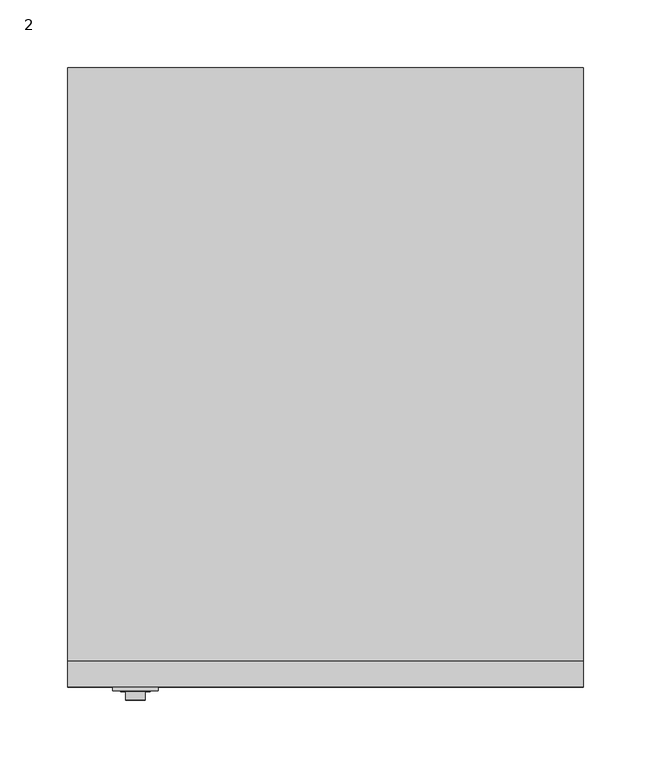
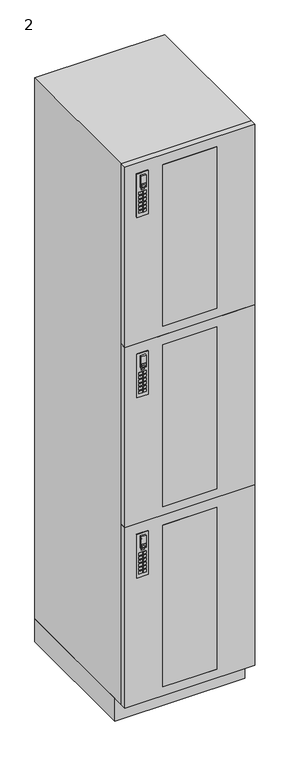
"""IFC4 building model written with IfcOpenShell, lengths in millimetres: furniture geometry, 2."""

from ifc_helpers import new_model, si_unit, point, frame, frame_2d, origin, origin_with_axes, place, context, project, spatial, polyline, circle_curve, trimmed, segment, composite_curve, outline, extrude, source, transform, mapped, element, save


def furniture_2_ed754ca8(model_context):
    return source(origin(), model_context, "Body", "SweptSolid", [
        extrude(outline(polyline([(-111.125, -457.2), (-269.875, -457.2), (-269.875, -438.15), (-111.125, -438.15), (-111.125, -457.2)])), frame((0.0, 0.0, 98.2965426), z_axis=(0.0, 0.0, 1.0), x_axis=(1.0, 0.0, 0.0)), (0.0, 0.0, 1.0), 501.65),
        extrude(outline(polyline([(-111.125, -457.2), (-269.875, -457.2), (-269.875, -438.15), (-111.125, -438.15), (-111.125, -457.2)])), frame((0.0, 0.0, 657.0965426), z_axis=(0.0, 0.0, 1.0), x_axis=(1.0, 0.0, 0.0)), (0.0, 0.0, 1.0), 501.65),
        extrude(outline(polyline([(-111.125, -457.2), (-269.875, -457.2), (-269.875, -438.15), (-111.125, -438.15), (-111.125, -457.2)])), frame((0.0, 0.0, 1215.8965426), z_axis=(0.0, 0.0, 1.0), x_axis=(1.0, 0.0, 0.0)), (0.0, 0.0, 1.0), 501.65),
        extrude(outline(polyline([(629.92, 0.0), (629.92, -381.0), (71.12, -381.0), (71.12, 0.0), (629.92, 0.0)]), holes=[polyline([(599.9465426, -111.125), (98.2965426, -111.125), (98.2965426, -269.875), (599.9465426, -269.875), (599.9465426, -111.125)])]), frame((0.0, -457.2, 0.0), z_axis=(0.0, 1.0, 0.0), x_axis=(0.0, 0.0, 1.0)), (0.0, 0.0, 1.0), 19.05),
        extrude(outline(polyline([(1188.72, 0.0), (1188.72, -381.0), (629.92, -381.0), (629.92, 0.0), (1188.72, 0.0)]), holes=[polyline([(1158.7465426, -111.125), (657.0965426, -111.125), (657.0965426, -269.875), (1158.7465426, -269.875), (1158.7465426, -111.125)])]), frame((0.0, -457.2, 0.0), z_axis=(0.0, 1.0, 0.0), x_axis=(0.0, 0.0, 1.0)), (0.0, 0.0, 1.0), 19.05),
        extrude(outline(polyline([(-335.5659847, -459.994), (-326.1679847, -459.994), (-326.1679847, -460.8078831), (-335.5659847, -460.8078831), (-335.5659847, -459.994)])), frame((0.0, 0.0, 546.5907206), z_axis=(0.0, 0.0, 1.0), x_axis=(1.0, 0.0, 0.0)), (0.0, 0.0, 1.0), 4.8387031),
        extrude(outline(polyline([(-341.8914743, -459.994), (-331.9854743, -459.994), (-331.9854743, -460.8078831), (-341.8914743, -460.8078831), (-341.8914743, -459.994)])), frame((0.0, 0.0, 510.032), z_axis=(0.0, 0.0, 1.0), x_axis=(1.0, 0.0, 0.0)), (0.0, 0.0, 1.0), 7.874),
        extrude(outline(polyline([(-341.8914743, -459.994), (-331.9854743, -459.994), (-331.9854743, -460.8078831), (-341.8914743, -460.8078831), (-341.8914743, -459.994)])), frame((0.0, 0.0, 498.602), z_axis=(0.0, 0.0, 1.0), x_axis=(1.0, 0.0, 0.0)), (0.0, 0.0, 1.0), 7.874),
        extrude(outline(polyline([(-341.8914743, -459.994), (-331.9854743, -459.994), (-331.9854743, -460.8078831), (-341.8914743, -460.8078831), (-341.8914743, -459.994)])), frame((0.0, 0.0, 532.892), z_axis=(0.0, 0.0, 1.0), x_axis=(1.0, 0.0, 0.0)), (0.0, 0.0, 1.0), 7.874),
        extrude(outline(polyline([(-341.8914743, -459.994), (-331.9854743, -459.994), (-331.9854743, -460.8078831), (-341.8914743, -460.8078831), (-341.8914743, -459.994)])), frame((0.0, 0.0, 521.462), z_axis=(0.0, 0.0, 1.0), x_axis=(1.0, 0.0, 0.0)), (0.0, 0.0, 1.0), 7.874),
        extrude(outline(polyline([(-341.8914743, -459.994), (-331.9854743, -459.994), (-331.9854743, -460.8078831), (-341.8914743, -460.8078831), (-341.8914743, -459.994)])), frame((0.0, 0.0, 487.172), z_axis=(0.0, 0.0, 1.0), x_axis=(1.0, 0.0, 0.0)), (0.0, 0.0, 1.0), 7.874),
        extrude(outline(polyline([(-341.8914743, -459.994), (-331.9854743, -459.994), (-331.9854743, -460.8078831), (-341.8914743, -460.8078831), (-341.8914743, -459.994)])), frame((0.0, 0.0, 475.742), z_axis=(0.0, 0.0, 1.0), x_axis=(1.0, 0.0, 0.0)), (0.0, 0.0, 1.0), 7.874),
        extrude(outline(polyline([(-329.9385257, -459.994), (-320.0325257, -459.994), (-320.0325257, -460.8078831), (-329.9385257, -460.8078831), (-329.9385257, -459.994)])), frame((0.0, 0.0, 510.032), z_axis=(0.0, 0.0, 1.0), x_axis=(1.0, 0.0, 0.0)), (0.0, 0.0, 1.0), 7.874),
        extrude(outline(polyline([(-329.9385257, -459.994), (-320.0325257, -459.994), (-320.0325257, -460.8078831), (-329.9385257, -460.8078831), (-329.9385257, -459.994)])), frame((0.0, 0.0, 498.602), z_axis=(0.0, 0.0, 1.0), x_axis=(1.0, 0.0, 0.0)), (0.0, 0.0, 1.0), 7.874),
        extrude(outline(polyline([(-329.9385257, -459.994), (-320.0325257, -459.994), (-320.0325257, -460.8078831), (-329.9385257, -460.8078831), (-329.9385257, -459.994)])), frame((0.0, 0.0, 532.892), z_axis=(0.0, 0.0, 1.0), x_axis=(1.0, 0.0, 0.0)), (0.0, 0.0, 1.0), 7.874),
        extrude(outline(polyline([(-329.9385257, -459.994), (-320.0325257, -459.994), (-320.0325257, -460.8078831), (-329.9385257, -460.8078831), (-329.9385257, -459.994)])), frame((0.0, 0.0, 521.462), z_axis=(0.0, 0.0, 1.0), x_axis=(1.0, 0.0, 0.0)), (0.0, 0.0, 1.0), 7.874),
        extrude(outline(polyline([(-329.9385257, -459.994), (-320.0325257, -459.994), (-320.0325257, -460.8078831), (-329.9385257, -460.8078831), (-329.9385257, -459.994)])), frame((0.0, 0.0, 487.172), z_axis=(0.0, 0.0, 1.0), x_axis=(1.0, 0.0, 0.0)), (0.0, 0.0, 1.0), 7.874),
        extrude(outline(polyline([(-329.9385257, -459.994), (-320.0325257, -459.994), (-320.0325257, -460.8078831), (-329.9385257, -460.8078831), (-329.9385257, -459.994)])), frame((0.0, 0.0, 475.742), z_axis=(0.0, 0.0, 1.0), x_axis=(1.0, 0.0, 0.0)), (0.0, 0.0, 1.0), 7.874),
        extrude(outline(composite_curve([segment(trimmed(circle_curve(frame_2d((582.4707407, -330.962)), 3.302), [point((582.4707407, -334.264))], [point((582.4707407, -327.66))], False, "CARTESIAN"), True, "CONTINUOUS"), segment(trimmed(circle_curve(frame_2d((582.4707407, -330.962)), 3.302), [point((582.4707407, -327.66))], [point((582.4707407, -334.264))], False, "CARTESIAN"), True, "CONTINUOUS")], self_intersect=False)), frame((0.0, -461.01, 0.0), z_axis=(0.0, 1.0, 0.0), x_axis=(0.0, 0.0, 1.0)), (0.0, 0.0, 1.0), 1.016),
        extrude(outline(polyline([(592.836, -323.723), (592.836, -338.201), (556.26, -338.201), (556.26, -323.723), (592.836, -323.723)]), holes=[polyline([(558.7050696, -326.1679847), (558.7050696, -335.5659847), (569.3404975, -335.5659847), (569.3404975, -326.1679847), (558.7050696, -326.1679847)])]), frame((0.0, -466.852, 0.0), z_axis=(0.0, 1.0, 0.0), x_axis=(0.0, 0.0, 1.0)), (0.0, 0.0, 1.0), 5.842),
        extrude(outline(polyline([(-347.726, -457.2), (-314.198, -457.2), (-314.198, -459.994), (-347.726, -459.994), (-347.726, -457.2)])), frame((0.0, 0.0, 464.566), z_axis=(0.0, 0.0, 1.0), x_axis=(1.0, 0.0, 0.0)), (0.0, 0.0, 1.0), 134.62),
        extrude(outline(polyline([(-335.5659847, -459.994), (-326.1679847, -459.994), (-326.1679847, -460.8078831), (-335.5659847, -460.8078831), (-335.5659847, -459.994)])), frame((0.0, 0.0, 1105.3907206), z_axis=(0.0, 0.0, 1.0), x_axis=(1.0, 0.0, 0.0)), (0.0, 0.0, 1.0), 4.8387031),
        extrude(outline(polyline([(-341.8914743, -459.994), (-331.9854743, -459.994), (-331.9854743, -460.8078831), (-341.8914743, -460.8078831), (-341.8914743, -459.994)])), frame((0.0, 0.0, 1068.832), z_axis=(0.0, 0.0, 1.0), x_axis=(1.0, 0.0, 0.0)), (0.0, 0.0, 1.0), 7.874),
        extrude(outline(polyline([(-341.8914743, -459.994), (-331.9854743, -459.994), (-331.9854743, -460.8078831), (-341.8914743, -460.8078831), (-341.8914743, -459.994)])), frame((0.0, 0.0, 1057.402), z_axis=(0.0, 0.0, 1.0), x_axis=(1.0, 0.0, 0.0)), (0.0, 0.0, 1.0), 7.874),
        extrude(outline(polyline([(-341.8914743, -459.994), (-331.9854743, -459.994), (-331.9854743, -460.8078831), (-341.8914743, -460.8078831), (-341.8914743, -459.994)])), frame((0.0, 0.0, 1091.692), z_axis=(0.0, 0.0, 1.0), x_axis=(1.0, 0.0, 0.0)), (0.0, 0.0, 1.0), 7.874),
        extrude(outline(polyline([(-341.8914743, -459.994), (-331.9854743, -459.994), (-331.9854743, -460.8078831), (-341.8914743, -460.8078831), (-341.8914743, -459.994)])), frame((0.0, 0.0, 1080.262), z_axis=(0.0, 0.0, 1.0), x_axis=(1.0, 0.0, 0.0)), (0.0, 0.0, 1.0), 7.874),
        extrude(outline(polyline([(-341.8914743, -459.994), (-331.9854743, -459.994), (-331.9854743, -460.8078831), (-341.8914743, -460.8078831), (-341.8914743, -459.994)])), frame((0.0, 0.0, 1045.972), z_axis=(0.0, 0.0, 1.0), x_axis=(1.0, 0.0, 0.0)), (0.0, 0.0, 1.0), 7.874),
        extrude(outline(polyline([(-341.8914743, -459.994), (-331.9854743, -459.994), (-331.9854743, -460.8078831), (-341.8914743, -460.8078831), (-341.8914743, -459.994)])), frame((0.0, 0.0, 1034.542), z_axis=(0.0, 0.0, 1.0), x_axis=(1.0, 0.0, 0.0)), (0.0, 0.0, 1.0), 7.874),
        extrude(outline(polyline([(-329.9385257, -459.994), (-320.0325257, -459.994), (-320.0325257, -460.8078831), (-329.9385257, -460.8078831), (-329.9385257, -459.994)])), frame((0.0, 0.0, 1068.832), z_axis=(0.0, 0.0, 1.0), x_axis=(1.0, 0.0, 0.0)), (0.0, 0.0, 1.0), 7.874),
        extrude(outline(polyline([(-329.9385257, -459.994), (-320.0325257, -459.994), (-320.0325257, -460.8078831), (-329.9385257, -460.8078831), (-329.9385257, -459.994)])), frame((0.0, 0.0, 1057.402), z_axis=(0.0, 0.0, 1.0), x_axis=(1.0, 0.0, 0.0)), (0.0, 0.0, 1.0), 7.874),
        extrude(outline(polyline([(-329.9385257, -459.994), (-320.0325257, -459.994), (-320.0325257, -460.8078831), (-329.9385257, -460.8078831), (-329.9385257, -459.994)])), frame((0.0, 0.0, 1091.692), z_axis=(0.0, 0.0, 1.0), x_axis=(1.0, 0.0, 0.0)), (0.0, 0.0, 1.0), 7.874),
        extrude(outline(polyline([(-329.9385257, -459.994), (-320.0325257, -459.994), (-320.0325257, -460.8078831), (-329.9385257, -460.8078831), (-329.9385257, -459.994)])), frame((0.0, 0.0, 1080.262), z_axis=(0.0, 0.0, 1.0), x_axis=(1.0, 0.0, 0.0)), (0.0, 0.0, 1.0), 7.874),
        extrude(outline(polyline([(-329.9385257, -459.994), (-320.0325257, -459.994), (-320.0325257, -460.8078831), (-329.9385257, -460.8078831), (-329.9385257, -459.994)])), frame((0.0, 0.0, 1045.972), z_axis=(0.0, 0.0, 1.0), x_axis=(1.0, 0.0, 0.0)), (0.0, 0.0, 1.0), 7.874),
        extrude(outline(polyline([(-329.9385257, -459.994), (-320.0325257, -459.994), (-320.0325257, -460.8078831), (-329.9385257, -460.8078831), (-329.9385257, -459.994)])), frame((0.0, 0.0, 1034.542), z_axis=(0.0, 0.0, 1.0), x_axis=(1.0, 0.0, 0.0)), (0.0, 0.0, 1.0), 7.874),
        extrude(outline(composite_curve([segment(trimmed(circle_curve(frame_2d((1141.2707407, -330.962)), 3.302), [point((1141.2707407, -334.264))], [point((1141.2707407, -327.66))], False, "CARTESIAN"), True, "CONTINUOUS"), segment(trimmed(circle_curve(frame_2d((1141.2707407, -330.962)), 3.302), [point((1141.2707407, -327.66))], [point((1141.2707407, -334.264))], False, "CARTESIAN"), True, "CONTINUOUS")], self_intersect=False)), frame((0.0, -461.01, 0.0), z_axis=(0.0, 1.0, 0.0), x_axis=(0.0, 0.0, 1.0)), (0.0, 0.0, 1.0), 1.016),
        extrude(outline(polyline([(1151.636, -323.723), (1151.636, -338.201), (1115.06, -338.201), (1115.06, -323.723), (1151.636, -323.723)]), holes=[polyline([(1117.5050696, -326.1679847), (1117.5050696, -335.5659847), (1128.1404975, -335.5659847), (1128.1404975, -326.1679847), (1117.5050696, -326.1679847)])]), frame((0.0, -466.852, 0.0), z_axis=(0.0, 1.0, 0.0), x_axis=(0.0, 0.0, 1.0)), (0.0, 0.0, 1.0), 5.842),
        extrude(outline(polyline([(-347.726, -457.2), (-314.198, -457.2), (-314.198, -459.994), (-347.726, -459.994), (-347.726, -457.2)])), frame((0.0, 0.0, 1023.366), z_axis=(0.0, 0.0, 1.0), x_axis=(1.0, 0.0, 0.0)), (0.0, 0.0, 1.0), 134.62),
        extrude(outline(polyline([(-335.5659847, -459.994), (-326.1679847, -459.994), (-326.1679847, -460.8078831), (-335.5659847, -460.8078831), (-335.5659847, -459.994)])), frame((0.0, 0.0, 1664.1907206), z_axis=(0.0, 0.0, 1.0), x_axis=(1.0, 0.0, 0.0)), (0.0, 0.0, 1.0), 4.8387031),
        extrude(outline(polyline([(-341.8914743, -459.994), (-331.9854743, -459.994), (-331.9854743, -460.8078831), (-341.8914743, -460.8078831), (-341.8914743, -459.994)])), frame((0.0, 0.0, 1627.632), z_axis=(0.0, 0.0, 1.0), x_axis=(1.0, 0.0, 0.0)), (0.0, 0.0, 1.0), 7.874),
        extrude(outline(polyline([(-341.8914743, -459.994), (-331.9854743, -459.994), (-331.9854743, -460.8078831), (-341.8914743, -460.8078831), (-341.8914743, -459.994)])), frame((0.0, 0.0, 1616.202), z_axis=(0.0, 0.0, 1.0), x_axis=(1.0, 0.0, 0.0)), (0.0, 0.0, 1.0), 7.874),
        extrude(outline(polyline([(-341.8914743, -459.994), (-331.9854743, -459.994), (-331.9854743, -460.8078831), (-341.8914743, -460.8078831), (-341.8914743, -459.994)])), frame((0.0, 0.0, 1650.492), z_axis=(0.0, 0.0, 1.0), x_axis=(1.0, 0.0, 0.0)), (0.0, 0.0, 1.0), 7.874),
        extrude(outline(polyline([(-341.8914743, -459.994), (-331.9854743, -459.994), (-331.9854743, -460.8078831), (-341.8914743, -460.8078831), (-341.8914743, -459.994)])), frame((0.0, 0.0, 1639.062), z_axis=(0.0, 0.0, 1.0), x_axis=(1.0, 0.0, 0.0)), (0.0, 0.0, 1.0), 7.874),
        extrude(outline(polyline([(-341.8914743, -459.994), (-331.9854743, -459.994), (-331.9854743, -460.8078831), (-341.8914743, -460.8078831), (-341.8914743, -459.994)])), frame((0.0, 0.0, 1604.772), z_axis=(0.0, 0.0, 1.0), x_axis=(1.0, 0.0, 0.0)), (0.0, 0.0, 1.0), 7.874),
        extrude(outline(polyline([(-341.8914743, -459.994), (-331.9854743, -459.994), (-331.9854743, -460.8078831), (-341.8914743, -460.8078831), (-341.8914743, -459.994)])), frame((0.0, 0.0, 1593.342), z_axis=(0.0, 0.0, 1.0), x_axis=(1.0, 0.0, 0.0)), (0.0, 0.0, 1.0), 7.874),
        extrude(outline(polyline([(-329.9385257, -459.994), (-320.0325257, -459.994), (-320.0325257, -460.8078831), (-329.9385257, -460.8078831), (-329.9385257, -459.994)])), frame((0.0, 0.0, 1627.632), z_axis=(0.0, 0.0, 1.0), x_axis=(1.0, 0.0, 0.0)), (0.0, 0.0, 1.0), 7.874),
        extrude(outline(polyline([(-329.9385257, -459.994), (-320.0325257, -459.994), (-320.0325257, -460.8078831), (-329.9385257, -460.8078831), (-329.9385257, -459.994)])), frame((0.0, 0.0, 1616.202), z_axis=(0.0, 0.0, 1.0), x_axis=(1.0, 0.0, 0.0)), (0.0, 0.0, 1.0), 7.874),
        extrude(outline(polyline([(-329.9385257, -459.994), (-320.0325257, -459.994), (-320.0325257, -460.8078831), (-329.9385257, -460.8078831), (-329.9385257, -459.994)])), frame((0.0, 0.0, 1650.492), z_axis=(0.0, 0.0, 1.0), x_axis=(1.0, 0.0, 0.0)), (0.0, 0.0, 1.0), 7.874),
        extrude(outline(polyline([(-329.9385257, -459.994), (-320.0325257, -459.994), (-320.0325257, -460.8078831), (-329.9385257, -460.8078831), (-329.9385257, -459.994)])), frame((0.0, 0.0, 1639.062), z_axis=(0.0, 0.0, 1.0), x_axis=(1.0, 0.0, 0.0)), (0.0, 0.0, 1.0), 7.874),
        extrude(outline(polyline([(-329.9385257, -459.994), (-320.0325257, -459.994), (-320.0325257, -460.8078831), (-329.9385257, -460.8078831), (-329.9385257, -459.994)])), frame((0.0, 0.0, 1604.772), z_axis=(0.0, 0.0, 1.0), x_axis=(1.0, 0.0, 0.0)), (0.0, 0.0, 1.0), 7.874),
        extrude(outline(polyline([(-329.9385257, -459.994), (-320.0325257, -459.994), (-320.0325257, -460.8078831), (-329.9385257, -460.8078831), (-329.9385257, -459.994)])), frame((0.0, 0.0, 1593.342), z_axis=(0.0, 0.0, 1.0), x_axis=(1.0, 0.0, 0.0)), (0.0, 0.0, 1.0), 7.874),
        extrude(outline(composite_curve([segment(trimmed(circle_curve(frame_2d((1700.0707407, -330.962)), 3.302), [point((1700.0707407, -334.264))], [point((1700.0707407, -327.66))], False, "CARTESIAN"), True, "CONTINUOUS"), segment(trimmed(circle_curve(frame_2d((1700.0707407, -330.962)), 3.302), [point((1700.0707407, -327.66))], [point((1700.0707407, -334.264))], False, "CARTESIAN"), True, "CONTINUOUS")], self_intersect=False)), frame((0.0, -461.01, 0.0), z_axis=(0.0, 1.0, 0.0), x_axis=(0.0, 0.0, 1.0)), (0.0, 0.0, 1.0), 1.016),
        extrude(outline(polyline([(1710.436, -323.723), (1710.436, -338.201), (1673.86, -338.201), (1673.86, -323.723), (1710.436, -323.723)]), holes=[polyline([(1676.3050696, -326.1679847), (1676.3050696, -335.5659847), (1686.9404975, -335.5659847), (1686.9404975, -326.1679847), (1676.3050696, -326.1679847)])]), frame((0.0, -466.852, 0.0), z_axis=(0.0, 1.0, 0.0), x_axis=(0.0, 0.0, 1.0)), (0.0, 0.0, 1.0), 5.842),
        extrude(outline(polyline([(-347.726, -457.2), (-314.198, -457.2), (-314.198, -459.994), (-347.726, -459.994), (-347.726, -457.2)])), frame((0.0, 0.0, 1582.166), z_axis=(0.0, 0.0, 1.0), x_axis=(1.0, 0.0, 0.0)), (0.0, 0.0, 1.0), 134.62),
        extrude(outline(polyline([(1747.52, 0.0), (1747.52, -381.0), (1188.72, -381.0), (1188.72, 0.0), (1747.52, 0.0)]), holes=[polyline([(1717.5465426, -111.125), (1215.8965426, -111.125), (1215.8965426, -269.875), (1717.5465426, -269.875), (1717.5465426, -111.125)])]), frame((0.0, -457.2, 0.0), z_axis=(0.0, 1.0, 0.0), x_axis=(0.0, 0.0, 1.0)), (0.0, 0.0, 1.0), 19.05),
        extrude(outline(polyline([(0.0, 0.0), (0.0, -438.15), (-381.0, -438.15), (-381.0, 0.0), (0.0, 0.0)])), frame((0.0, 0.0, 71.12), z_axis=(0.0, 0.0, 1.0), x_axis=(1.0, 0.0, 0.0)), (0.0, 0.0, 1.0), 1676.4),
        extrude(outline(polyline([(0.0, -406.4), (-381.0, -406.4), (-381.0, 0.0), (0.0, 0.0), (0.0, -406.4)])), origin_with_axes(), (0.0, 0.0, 1.0), 71.12),
    ])


if __name__ == "__main__":
    model = new_model("IFC4")
    model_context = context("Model", 3, world=origin())
    ifc_project = project(units=[si_unit("LENGTHUNIT", "METRE", prefix="MILLI")], contexts=[model_context])
    site = spatial("IfcSite", under=ifc_project)
    building = spatial("IfcBuilding", under=site)
    placement = place(None, origin())
    furniture_2_shape = furniture_2_ed754ca8(model_context)
    element("IfcFurniture", 1, ObjectType="2", at=placement, inside=building, context=model_context, shape_type="MappedRepresentation", body=[
        mapped(furniture_2_shape, transform((0.0, 0.0, 0.0), x_axis=(1.0, 0.0, 0.0), y_axis=(0.0, 1.0, 0.0), z_axis=(0.0, 0.0, 1.0))),
    ])
    save(model, "model.ifc")
